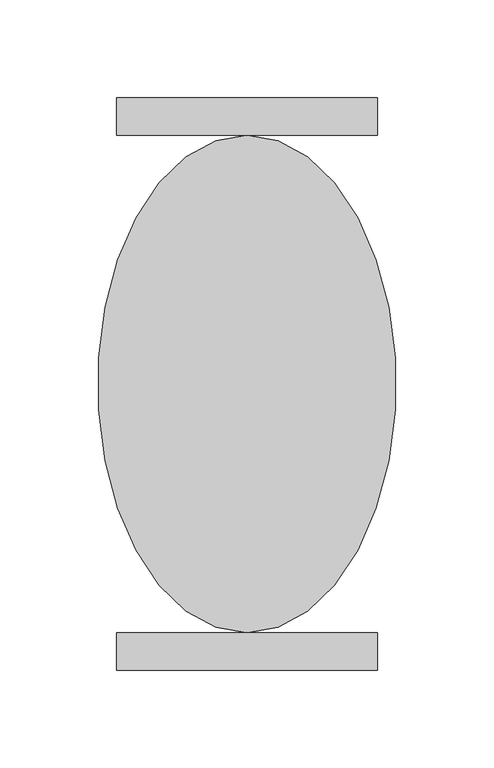
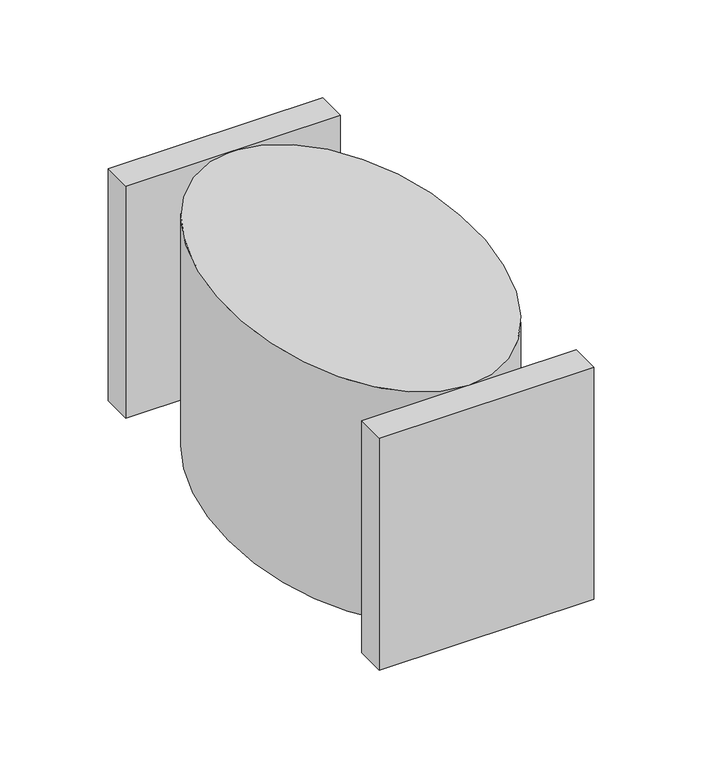
"""IFC4 building model written with IfcOpenShell, lengths in millimetres: proxy geometry."""

from ifc_helpers import new_model, si_unit, point, frame, origin, place, context, project, spatial, polyline, ellipse_curve, trimmed, outline, extrude, source, transform, mapped, element, save
from ifc_brep_helpers import plane_surface, extruded_surface, advanced_brep


def mechanical_equipment_5e7aa1f3(model_context):
    return source(origin(), model_context, "Body", "SolidModel", [
        extrude(outline(polyline([(996179.0968911, 349448.1814206), (996179.0968911, 349429.1314206), (996045.7468911, 349429.1314206), (996045.7468911, 349448.1814206), (996179.0968911, 349448.1814206)])), frame((0.0, 0.0, -2209.8), z_axis=(0.0, 0.0, 1.0), x_axis=(1.0, 0.0, 0.0)), (0.0, 0.0, 1.0), 152.4),
        extrude(outline(polyline([(996179.0968911, 349721.2314206), (996179.0968911, 349702.1814206), (996045.7468911, 349702.1814206), (996045.7468911, 349721.2314206), (996179.0968911, 349721.2314206)])), frame((0.0, 0.0, -2209.8), z_axis=(0.0, 0.0, 1.0), x_axis=(1.0, 0.0, 0.0)), (0.0, 0.0, 1.0), 152.4),
        advanced_brep(
        [(996112.4218911, 349448.1814206, -2057.4), (996112.4218911, 349702.1814206, -2057.4), (996112.4218911, 349448.1814206, -2209.8), (996112.4218911, 349702.1814206, -2209.8)],
        [
            (0, 1, ellipse_curve(frame((996112.4218911, 349575.1814206, -2057.4), z_axis=(0.0, 0.0, 1.0), x_axis=(0.0, 1.0, 0.0)), 127.0, 76.2)),
            (1, 0, ellipse_curve(frame((996112.4218911, 349575.1814206, -2057.4), z_axis=(0.0, 0.0, 1.0), x_axis=(0.0, 1.0, 0.0)), 127.0, 76.2)),
            (2, 3, ellipse_curve(frame((996112.4218911, 349575.1814206, -2209.8), z_axis=(0.0, 0.0, -1.0), x_axis=(0.0, 1.0, 0.0)), 127.0, 76.2)),
            (3, 2, ellipse_curve(frame((996112.4218911, 349575.1814206, -2209.8), z_axis=(0.0, 0.0, -1.0), x_axis=(0.0, 1.0, 0.0)), 127.0, 76.2)),
            (0, 2),
            (3, 1),
        ],
        [
            plane_surface(frame((996112.4218911, 349702.1814206, -2057.4), z_axis=(0.0, 0.0, 1.0), x_axis=(-1.0, 0.0, 0.0))),
            plane_surface(frame((996112.4218911, 349702.1814206, -2209.8), z_axis=(0.0, 0.0, -1.0), x_axis=(1.0, 0.0, 0.0))),
            extruded_surface(trimmed(ellipse_curve(frame((996112.4218911, 349575.1814206, -2362.2), z_axis=(0.0, 0.0, 1.0), x_axis=(0.0, 1.0, 0.0)), 127.0, 76.2), [point((996112.4218911, 349448.1814206, -2362.2))], [point((996112.4218911, 349702.1814206, -2362.2))], True, "CARTESIAN"), (0.0, 0.0, 152.39999999999964), 152.39999999999964),
            extruded_surface(trimmed(ellipse_curve(frame((996112.4218911, 349575.1814206, -2362.2), z_axis=(0.0, 0.0, 1.0), x_axis=(0.0, 1.0, 0.0)), 127.0, 76.2), [point((996112.4218911, 349702.1814206, -2362.2))], [point((996112.4218911, 349448.1814206, -2362.2))], True, "CARTESIAN"), (0.0, 0.0, 152.39999999999964), 152.39999999999964),
        ],
        [
            (0, [[1, 2]]),
            (1, [[3, 4]]),
            (2, [[-1, 5, -4, 6]]),
            (3, [[-2, -6, -3, -5]]),
        ],
    ),
    ])


if __name__ == "__main__":
    model = new_model("IFC4")
    model_context = context("Model", 3, world=origin())
    ifc_project = project(units=[si_unit("LENGTHUNIT", "METRE", prefix="MILLI")], contexts=[model_context])
    site = spatial("IfcSite", under=ifc_project)
    building = spatial("IfcBuilding", under=site)
    placement = place(None, origin())
    mechanical_equipment_shape = mechanical_equipment_5e7aa1f3(model_context)
    element("IfcBuildingElementProxy", 1, Name="Mechanical Equipment", at=placement, inside=building, context=model_context, shape_type="MappedRepresentation", body=[
        mapped(mechanical_equipment_shape, transform((0.0, 0.0, 0.0), x_axis=(1.0, 0.0, 0.0), y_axis=(0.0, 1.0, 0.0), z_axis=(0.0, 0.0, 1.0))),
    ])
    save(model, "model.ifc")
